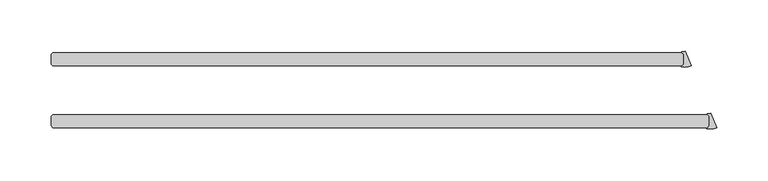
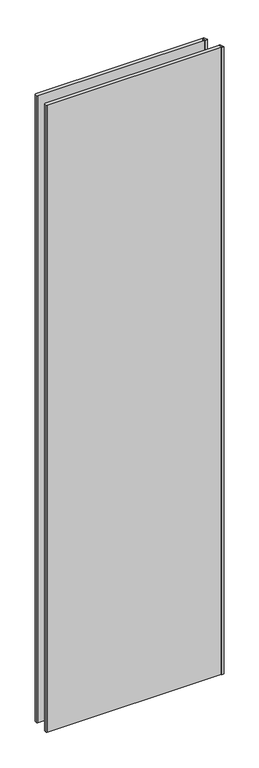
"""IFC4 building model written with IfcOpenShell, lengths in millimetres: plate geometry."""

from ifc_helpers import new_model, si_unit, point, frame_2d, origin, origin_with_axes, place, context, project, spatial, polyline, circle_curve, trimmed, segment, composite_curve, outline, extrude, source, transform, mapped, element, save


def plate_7730a216(model_context):
    return source(origin(), model_context, "Body", "SweptSolid", [
        extrude(outline(composite_curve([segment(polyline([(299.8469084, 34.925), (298.1404415, 36.6314669)]), True, "CONTINUOUS"), segment(trimmed(circle_curve(frame_2d((298.4210745, 36.9121)), 0.396875), [point((298.1404415, 36.6314669))], [point((298.4129947, 37.3088927))], False, "CARTESIAN"), True, "CONTINUOUS"), segment(trimmed(circle_curve(frame_2d((298.2456736, 45.525915)), 8.2187257), [point((298.4129947, 37.3088927))], [point((301.3908437, 37.9328026))], True, "CARTESIAN"), True, "CONTINUOUS"), segment(polyline([(301.3908437, 37.9328026), (307.2378024, 23.8169955)]), True, "CONTINUOUS"), segment(trimmed(circle_curve(frame_2d((300.4755618, 40.1424885)), 17.6705863), [point((307.2378024, 23.8169955))], [point((297.9925665, 22.6472219))], False, "CARTESIAN"), True, "CONTINUOUS"), segment(trimmed(circle_curve(frame_2d((298.0483337, 23.0401593)), 0.396875), [point((297.9925665, 22.6472219))], [point((297.7677007, 23.3207923))], False, "CARTESIAN"), True, "CONTINUOUS"), segment(polyline([(297.7677007, 23.3207923), (299.8469084, 25.4), (299.8469084, 34.925)]), True, "CONTINUOUS")], self_intersect=False)), origin_with_axes(), (0.0, 0.0, 1.0), 2428.7789267),
        extrude(outline(composite_curve([segment(polyline([(324.8343416, -25.4), (323.1278746, -23.6935331)]), True, "CONTINUOUS"), segment(trimmed(circle_curve(frame_2d((323.4085076, -23.4129)), 0.396875), [point((323.1278746, -23.6935331))], [point((323.4004278, -23.0161073))], False, "CARTESIAN"), True, "CONTINUOUS"), segment(trimmed(circle_curve(frame_2d((323.2331067, -14.799085)), 8.2187257), [point((323.4004278, -23.0161073))], [point((326.3782769, -22.3921974))], True, "CARTESIAN"), True, "CONTINUOUS"), segment(polyline([(326.3782769, -22.3921974), (332.2252356, -36.5080045)]), True, "CONTINUOUS"), segment(trimmed(circle_curve(frame_2d((325.462995, -20.1825115)), 17.6705863), [point((332.2252356, -36.5080045))], [point((322.9799997, -37.6777781))], False, "CARTESIAN"), True, "CONTINUOUS"), segment(trimmed(circle_curve(frame_2d((323.0357669, -37.2848407)), 0.396875), [point((322.9799997, -37.6777781))], [point((322.7551339, -37.0042077))], False, "CARTESIAN"), True, "CONTINUOUS"), segment(polyline([(322.7551339, -37.0042077), (324.8343416, -34.925), (324.8343416, -25.4)]), True, "CONTINUOUS")], self_intersect=False)), origin_with_axes(), (0.0, 0.0, 1.0), 2428.7789267),
        extrude(outline(polyline([(298.2594084, 23.8125), (-315.515625, 23.8125), (-317.103125, 25.4), (-317.103125, 34.925), (-315.515625, 36.5125), (298.2594084, 36.5125), (299.8469084, 34.925), (299.8469084, 25.4), (298.2594084, 23.8125)])), origin_with_axes(), (0.0, 0.0, 1.0), 2428.7789267),
        extrude(outline(polyline([(323.2468416, -36.5125), (-315.515625, -36.5125), (-317.103125, -34.925), (-317.103125, -25.4), (-315.515625, -23.8125), (323.2468416, -23.8125), (324.8343416, -25.4), (324.8343416, -34.925), (323.2468416, -36.5125)])), origin_with_axes(), (0.0, 0.0, 1.0), 2428.7789267),
    ])


if __name__ == "__main__":
    model = new_model("IFC4")
    model_context = context("Model", 3, world=origin())
    ifc_project = project(units=[si_unit("LENGTHUNIT", "METRE", prefix="MILLI")], contexts=[model_context])
    site = spatial("IfcSite", under=ifc_project)
    building = spatial("IfcBuilding", under=site)
    placement = place(None, origin())
    plate_shape = plate_7730a216(model_context)
    element("IfcPlate", 1, at=placement, inside=building, context=model_context, shape_type="MappedRepresentation", body=[
        mapped(plate_shape, transform((0.0, 0.0, 0.0), x_axis=(1.0, 0.0, 0.0), y_axis=(0.0, 1.0, 0.0), z_axis=(0.0, 0.0, 1.0))),
    ])
    save(model, "model.ifc")
